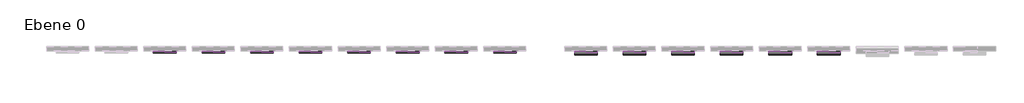
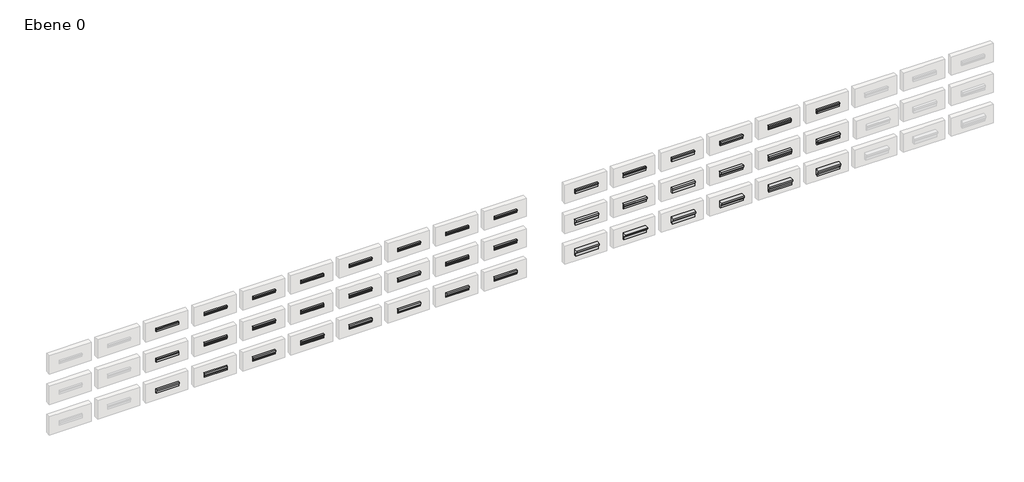
# One storey, part 2 of 3: 42 proxies.
"""IFC4 building model written with IfcOpenShell, lengths in millimetres."""

from ifc_helpers import new_model, si_unit, point, frame, frame_2d, origin, place, context, project, spatial, polyline, circle_curve, trimmed, segment, composite_curve, outline, extrude, element, save

model = new_model("IFC4")

# Units and contexts
model_context = context("Model", 3, world=origin())
ifc_project = project(units=[si_unit("LENGTHUNIT", "METRE", prefix="MILLI")], contexts=[model_context])

# Site, building, storey
site = spatial("IfcSite", under=ifc_project)
building = spatial("IfcBuilding", under=site)
storey = spatial("IfcBuildingStorey", under=building, Name="Ebene 0", Elevation=0.0)

# Proxies
placement = place(None, origin())
element("IfcBuildingElementProxy", 1, Name="Wall Sweeps", at=placement, inside=storey, context=model_context, shape_type="SweptSolid", body=[
    extrude(outline(composite_curve([segment(polyline([(665.4435816, 2195.0), (705.4435816, 2200.0), (705.4435816, 2100.0), (680.4435816, 2100.0), (680.4435816, 2150.0)]), True, "CONTINUOUS"), segment(trimmed(circle_curve(frame_2d((665.4435816, 2150.0)), 15.0), [point((680.4435816, 2150.0))], [point((665.4435816, 2165.0))], True, "CARTESIAN"), True, "CONTINUOUS"), segment(polyline([(665.4435816, 2165.0), (665.4435816, 2195.0)]), True, "CONTINUOUS")], self_intersect=False)), frame((-21412.2665859, 0.0, 0.0), z_axis=(1.0, 0.0, 0.0), x_axis=(0.0, 1.0, 0.0)), (0.0, 0.0, 1.0), 700.0),
])
element("IfcBuildingElementProxy", 2, Name="Wall Sweeps", at=placement, inside=storey, context=model_context, shape_type="SweptSolid", body=[
    extrude(outline(composite_curve([segment(polyline([(665.4435816, 1215.0), (705.4435816, 1220.0), (705.4435816, 1100.0), (680.4435816, 1100.0), (680.4435816, 1160.0)]), True, "CONTINUOUS"), segment(trimmed(circle_curve(frame_2d((665.4435816, 1160.0)), 15.0), [point((680.4435816, 1160.0))], [point((665.4435816, 1175.0))], True, "CARTESIAN"), True, "CONTINUOUS"), segment(polyline([(665.4435816, 1175.0), (665.4435816, 1215.0)]), True, "CONTINUOUS")], self_intersect=False)), frame((-21412.2665859, 0.0, 0.0), z_axis=(1.0, 0.0, 0.0), x_axis=(0.0, 1.0, 0.0)), (0.0, 0.0, 1.0), 700.0),
])
element("IfcBuildingElementProxy", 3, Name="Wall Sweeps", at=placement, inside=storey, context=model_context, shape_type="SweptSolid", body=[
    extrude(outline(composite_curve([segment(polyline([(655.4435816, 170.0), (655.4435816, 215.0), (705.4435816, 220.0), (705.4435816, 80.0), (675.4435816, 80.0), (675.4435816, 150.0)]), True, "CONTINUOUS"), segment(trimmed(circle_curve(frame_2d((655.4435816, 150.0)), 20.0), [point((675.4435816, 150.0))], [point((655.4435816, 170.0))], True, "CARTESIAN"), True, "CONTINUOUS")], self_intersect=False)), frame((-21412.2665859, 0.0, 0.0), z_axis=(1.0, 0.0, 0.0), x_axis=(0.0, 1.0, 0.0)), (0.0, 0.0, 1.0), 700.0),
])
element("IfcBuildingElementProxy", 4, Name="Wall Sweeps", at=placement, inside=storey, context=model_context, shape_type="SweptSolid", body=[
    extrude(outline(composite_curve([segment(polyline([(705.4435816, 2200.0), (705.4435816, 2100.0), (688.4435816, 2100.0), (688.4435816, 2119.0), (688.4435816, 2122.8)]), True, "CONTINUOUS"), segment(trimmed(circle_curve(frame_2d((663.4435816, 2122.8)), 25.0), [point((688.4435816, 2122.8))], [point((679.4435816, 2142.0093727))], True, "CARTESIAN"), True, "CONTINUOUS"), segment(trimmed(circle_curve(frame_2d((695.4435816, 2161.2187454)), 25.0), [point((679.4435816, 2142.0093727))], [point((670.4435816, 2161.2187454))], False, "CARTESIAN"), True, "CONTINUOUS"), segment(polyline([(670.4435816, 2161.2187454), (670.4435816, 2165.0), (665.4435816, 2165.0), (665.4435816, 2195.0), (705.4435816, 2200.0)]), True, "CONTINUOUS")], self_intersect=False)), frame((-19912.2665859, 0.0, 0.0), z_axis=(1.0, 0.0, 0.0), x_axis=(0.0, 1.0, 0.0)), (0.0, 0.0, 1.0), 700.0),
])
element("IfcBuildingElementProxy", 5, Name="Wall Sweeps", at=placement, inside=storey, context=model_context, shape_type="SweptSolid", body=[
    extrude(outline(composite_curve([segment(polyline([(705.4435816, 1100.0), (688.4435816, 1100.0), (688.4435816, 1119.0), (688.4435816, 1122.8)]), True, "CONTINUOUS"), segment(trimmed(circle_curve(frame_2d((663.4435816, 1122.8)), 25.0), [point((688.4435816, 1122.8))], [point((679.4435816, 1142.0093727))], True, "CARTESIAN"), True, "CONTINUOUS"), segment(trimmed(circle_curve(frame_2d((695.4435816, 1161.2187454)), 25.0), [point((679.4435816, 1142.0093727))], [point((670.4435816, 1161.2187454))], False, "CARTESIAN"), True, "CONTINUOUS"), segment(polyline([(670.4435816, 1161.2187454), (670.4435816, 1175.0), (665.4435816, 1175.0), (665.4435816, 1215.0), (705.4435816, 1220.0), (705.4435816, 1100.0)]), True, "CONTINUOUS")], self_intersect=False)), frame((-19912.2665859, 0.0, 0.0), z_axis=(1.0, 0.0, 0.0), x_axis=(0.0, 1.0, 0.0)), (0.0, 0.0, 1.0), 700.0),
])
element("IfcBuildingElementProxy", 6, Name="Wall Sweeps", at=placement, inside=storey, context=model_context, shape_type="SweptSolid", body=[
    extrude(outline(composite_curve([segment(polyline([(655.4435816, 215.0), (705.4435816, 220.0), (705.4435816, 80.0), (678.4435816, 80.0), (678.4435816, 119.0), (678.4435816, 122.8)]), True, "CONTINUOUS"), segment(trimmed(circle_curve(frame_2d((653.4435816, 122.8)), 25.0), [point((678.4435816, 122.8))], [point((669.4435816, 142.0093727))], True, "CARTESIAN"), True, "CONTINUOUS"), segment(trimmed(circle_curve(frame_2d((685.4435816, 161.2187454)), 25.0), [point((669.4435816, 142.0093727))], [point((660.4435816, 161.2187454))], False, "CARTESIAN"), True, "CONTINUOUS"), segment(polyline([(660.4435816, 161.2187454), (660.4435816, 165.0), (655.4435816, 165.0), (655.4435816, 215.0)]), True, "CONTINUOUS")], self_intersect=False)), frame((-19912.2665859, 0.0, 0.0), z_axis=(1.0, 0.0, 0.0), x_axis=(0.0, 1.0, 0.0)), (0.0, 0.0, 1.0), 700.0),
])
element("IfcBuildingElementProxy", 7, Name="Wall Sweeps", at=placement, inside=storey, context=model_context, shape_type="SweptSolid", body=[
    extrude(outline(composite_curve([segment(polyline([(705.4435816, 2200.0), (705.4435816, 2100.0), (685.4435816, 2100.0), (685.4435816, 2125.0)]), True, "CONTINUOUS"), segment(trimmed(circle_curve(frame_2d((675.4435816, 2125.0)), 10.0), [point((685.4435816, 2125.0))], [point((675.4435816, 2135.0))], True, "CARTESIAN"), True, "CONTINUOUS"), segment(polyline([(675.4435816, 2135.0), (675.4435816, 2155.0)]), True, "CONTINUOUS"), segment(trimmed(circle_curve(frame_2d((665.4435816, 2155.0)), 10.0), [point((675.4435816, 2155.0))], [point((665.4435816, 2165.0))], True, "CARTESIAN"), True, "CONTINUOUS"), segment(polyline([(665.4435816, 2165.0), (665.4435816, 2195.0), (705.4435816, 2200.0)]), True, "CONTINUOUS")], self_intersect=False)), frame((-18412.2665859, 0.0, 0.0), z_axis=(1.0, 0.0, 0.0), x_axis=(0.0, 1.0, 0.0)), (0.0, 0.0, 1.0), 700.0),
])
element("IfcBuildingElementProxy", 8, Name="Wall Sweeps", at=placement, inside=storey, context=model_context, shape_type="SweptSolid", body=[
    extrude(outline(composite_curve([segment(polyline([(665.4435816, 1215.0), (705.4435816, 1220.0), (705.4435816, 1100.0), (685.4435816, 1100.0), (685.4435816, 1135.0)]), True, "CONTINUOUS"), segment(trimmed(circle_curve(frame_2d((675.4435816, 1135.0)), 10.0), [point((685.4435816, 1135.0))], [point((675.4435816, 1145.0))], True, "CARTESIAN"), True, "CONTINUOUS"), segment(polyline([(675.4435816, 1145.0), (675.4435816, 1170.0)]), True, "CONTINUOUS"), segment(trimmed(circle_curve(frame_2d((665.4435816, 1170.0)), 10.0), [point((675.4435816, 1170.0))], [point((665.4435816, 1180.0))], True, "CARTESIAN"), True, "CONTINUOUS"), segment(polyline([(665.4435816, 1180.0), (665.4435816, 1215.0)]), True, "CONTINUOUS")], self_intersect=False)), frame((-18412.2665859, 0.0, 0.0), z_axis=(1.0, 0.0, 0.0), x_axis=(0.0, 1.0, 0.0)), (0.0, 0.0, 1.0), 700.0),
])
element("IfcBuildingElementProxy", 9, Name="Wall Sweeps", at=placement, inside=storey, context=model_context, shape_type="SweptSolid", body=[
    extrude(outline(composite_curve([segment(polyline([(705.4435816, 220.0), (705.4435816, 80.0), (685.4435816, 80.0), (685.4435816, 110.0)]), True, "CONTINUOUS"), segment(trimmed(circle_curve(frame_2d((670.4435816, 110.0)), 15.0), [point((685.4435816, 110.0))], [point((670.4435816, 125.0))], True, "CARTESIAN"), True, "CONTINUOUS"), segment(polyline([(670.4435816, 125.0), (670.4435816, 155.0)]), True, "CONTINUOUS"), segment(trimmed(circle_curve(frame_2d((655.4435816, 155.0)), 15.0), [point((670.4435816, 155.0))], [point((655.4435816, 170.0))], True, "CARTESIAN"), True, "CONTINUOUS"), segment(polyline([(655.4435816, 170.0), (655.4435816, 215.0), (705.4435816, 220.0)]), True, "CONTINUOUS")], self_intersect=False)), frame((-18412.2665859, 0.0, 0.0), z_axis=(1.0, 0.0, 0.0), x_axis=(0.0, 1.0, 0.0)), (0.0, 0.0, 1.0), 700.0),
])
element("IfcBuildingElementProxy", 10, Name="Wall Sweeps", at=placement, inside=storey, context=model_context, shape_type="SweptSolid", body=[
    extrude(outline(composite_curve([segment(polyline([(665.4435816, 2195.0), (705.4435816, 2200.0), (705.4435816, 2100.0), (685.4435816, 2100.0), (685.4435816, 2130.0)]), True, "CONTINUOUS"), segment(trimmed(circle_curve(frame_2d((685.4435816, 2140.0)), 10.0), [point((685.4435816, 2130.0))], [point((675.4435816, 2140.0))], False, "CARTESIAN"), True, "CONTINUOUS"), segment(polyline([(675.4435816, 2140.0), (675.4435816, 2155.0)]), True, "CONTINUOUS"), segment(trimmed(circle_curve(frame_2d((665.4435816, 2155.0)), 10.0), [point((675.4435816, 2155.0))], [point((665.4435816, 2165.0))], True, "CARTESIAN"), True, "CONTINUOUS"), segment(polyline([(665.4435816, 2165.0), (665.4435816, 2195.0)]), True, "CONTINUOUS")], self_intersect=False)), frame((-16912.2665859, 0.0, 0.0), z_axis=(1.0, 0.0, 0.0), x_axis=(0.0, 1.0, 0.0)), (0.0, 0.0, 1.0), 700.0),
])
element("IfcBuildingElementProxy", 11, Name="Wall Sweeps", at=placement, inside=storey, context=model_context, shape_type="SweptSolid", body=[
    extrude(outline(composite_curve([segment(polyline([(665.4435816, 1215.0), (705.4435816, 1220.0), (705.4435816, 1100.0), (685.4435816, 1100.0), (685.4435816, 1135.0)]), True, "CONTINUOUS"), segment(trimmed(circle_curve(frame_2d((685.4435816, 1145.0)), 10.0), [point((685.4435816, 1135.0))], [point((675.4435816, 1145.0))], False, "CARTESIAN"), True, "CONTINUOUS"), segment(polyline([(675.4435816, 1145.0), (675.4435816, 1170.0)]), True, "CONTINUOUS"), segment(trimmed(circle_curve(frame_2d((665.4435816, 1170.0)), 10.0), [point((675.4435816, 1170.0))], [point((665.4435816, 1180.0))], True, "CARTESIAN"), True, "CONTINUOUS"), segment(polyline([(665.4435816, 1180.0), (665.4435816, 1215.0)]), True, "CONTINUOUS")], self_intersect=False)), frame((-16912.2665859, 0.0, 0.0), z_axis=(1.0, 0.0, 0.0), x_axis=(0.0, 1.0, 0.0)), (0.0, 0.0, 1.0), 700.0),
])
element("IfcBuildingElementProxy", 12, Name="Wall Sweeps", at=placement, inside=storey, context=model_context, shape_type="SweptSolid", body=[
    extrude(outline(composite_curve([segment(polyline([(655.4435816, 215.0), (705.4435816, 220.0), (705.4435816, 80.0), (685.4435816, 80.0), (685.4435816, 120.0)]), True, "CONTINUOUS"), segment(trimmed(circle_curve(frame_2d((685.4435816, 135.0)), 15.0), [point((685.4435816, 120.0))], [point((670.4435816, 135.0))], False, "CARTESIAN"), True, "CONTINUOUS"), segment(polyline([(670.4435816, 135.0), (670.4435816, 160.0)]), True, "CONTINUOUS"), segment(trimmed(circle_curve(frame_2d((655.4435816, 160.0)), 15.0), [point((670.4435816, 160.0))], [point((655.4435816, 175.0))], True, "CARTESIAN"), True, "CONTINUOUS"), segment(polyline([(655.4435816, 175.0), (655.4435816, 215.0)]), True, "CONTINUOUS")], self_intersect=False)), frame((-16912.2665859, 0.0, 0.0), z_axis=(1.0, 0.0, 0.0), x_axis=(0.0, 1.0, 0.0)), (0.0, 0.0, 1.0), 700.0),
])
element("IfcBuildingElementProxy", 13, Name="Wall Sweeps", at=placement, inside=storey, context=model_context, shape_type="SweptSolid", body=[
    extrude(outline(composite_curve([segment(polyline([(665.4435816, 2195.0), (705.4435816, 2200.0), (705.4435816, 2100.0), (690.4435816, 2100.0), (690.4435816, 2125.0)]), True, "CONTINUOUS"), segment(trimmed(circle_curve(frame_2d((690.4435816, 2135.0)), 10.0), [point((690.4435816, 2125.0))], [point((680.4435816, 2135.0))], False, "CARTESIAN"), True, "CONTINUOUS"), segment(polyline([(680.4435816, 2135.0), (680.4435816, 2150.0), (675.4435816, 2150.0)]), True, "CONTINUOUS"), segment(trimmed(circle_curve(frame_2d((665.4435816, 2150.0)), 10.0), [point((675.4435816, 2150.0))], [point((665.4435816, 2160.0))], True, "CARTESIAN"), True, "CONTINUOUS"), segment(polyline([(665.4435816, 2160.0), (665.4435816, 2195.0)]), True, "CONTINUOUS")], self_intersect=False)), frame((-15412.2665859, 0.0, 0.0), z_axis=(1.0, 0.0, 0.0), x_axis=(0.0, 1.0, 0.0)), (0.0, 0.0, 1.0), 700.0),
])
element("IfcBuildingElementProxy", 14, Name="Wall Sweeps", at=placement, inside=storey, context=model_context, shape_type="SweptSolid", body=[
    extrude(outline(composite_curve([segment(polyline([(665.4435816, 1215.0), (705.4435816, 1220.0), (705.4435816, 1100.0), (690.4435816, 1100.0), (690.4435816, 1130.0)]), True, "CONTINUOUS"), segment(trimmed(circle_curve(frame_2d((690.4435816, 1140.0)), 10.0), [point((690.4435816, 1130.0))], [point((680.4435816, 1140.0))], False, "CARTESIAN"), True, "CONTINUOUS"), segment(polyline([(680.4435816, 1140.0), (680.4435816, 1165.0), (675.4435816, 1165.0)]), True, "CONTINUOUS"), segment(trimmed(circle_curve(frame_2d((665.4435816, 1165.0)), 10.0), [point((675.4435816, 1165.0))], [point((665.4435816, 1175.0))], True, "CARTESIAN"), True, "CONTINUOUS"), segment(polyline([(665.4435816, 1175.0), (665.4435816, 1215.0)]), True, "CONTINUOUS")], self_intersect=False)), frame((-15412.2665859, 0.0, 0.0), z_axis=(1.0, 0.0, 0.0), x_axis=(0.0, 1.0, 0.0)), (0.0, 0.0, 1.0), 700.0),
])
element("IfcBuildingElementProxy", 15, Name="Wall Sweeps", at=placement, inside=storey, context=model_context, shape_type="SweptSolid", body=[
    extrude(outline(composite_curve([segment(polyline([(655.4435816, 215.0), (705.4435816, 220.0), (705.4435816, 80.0), (690.4435816, 80.0), (690.4435816, 110.0)]), True, "CONTINUOUS"), segment(trimmed(circle_curve(frame_2d((690.4435816, 125.0)), 15.0), [point((690.4435816, 110.0))], [point((675.4435816, 125.0))], False, "CARTESIAN"), True, "CONTINUOUS"), segment(polyline([(675.4435816, 125.0), (675.4435816, 150.0), (670.4435816, 150.0)]), True, "CONTINUOUS"), segment(trimmed(circle_curve(frame_2d((655.4435816, 150.0)), 15.0), [point((670.4435816, 150.0))], [point((655.4435816, 165.0))], True, "CARTESIAN"), True, "CONTINUOUS"), segment(polyline([(655.4435816, 165.0), (655.4435816, 215.0)]), True, "CONTINUOUS")], self_intersect=False)), frame((-15412.2665859, 0.0, 0.0), z_axis=(1.0, 0.0, 0.0), x_axis=(0.0, 1.0, 0.0)), (0.0, 0.0, 1.0), 700.0),
])
element("IfcBuildingElementProxy", 16, Name="Wall Sweeps", at=placement, inside=storey, context=model_context, shape_type="SweptSolid", body=[
    extrude(outline(composite_curve([segment(polyline([(665.4435816, 2195.0), (705.4435816, 2200.0), (705.4435816, 2100.0), (685.4435816, 2100.0), (685.4435816, 2140.0)]), True, "CONTINUOUS"), segment(trimmed(circle_curve(frame_2d((685.4435816, 2150.0)), 10.0), [point((685.4435816, 2140.0))], [point((675.4435816, 2150.0))], False, "CARTESIAN"), True, "CONTINUOUS"), segment(trimmed(circle_curve(frame_2d((665.4435816, 2150.0)), 10.0), [point((675.4435816, 2150.0))], [point((665.4435816, 2160.0))], True, "CARTESIAN"), True, "CONTINUOUS"), segment(polyline([(665.4435816, 2160.0), (665.4435816, 2195.0)]), True, "CONTINUOUS")], self_intersect=False)), frame((-13912.2665859, 0.0, 0.0), z_axis=(1.0, 0.0, 0.0), x_axis=(0.0, 1.0, 0.0)), (0.0, 0.0, 1.0), 700.0),
])
element("IfcBuildingElementProxy", 17, Name="Wall Sweeps", at=placement, inside=storey, context=model_context, shape_type="SweptSolid", body=[
    extrude(outline(composite_curve([segment(polyline([(665.4435816, 1215.0), (705.4435816, 1220.0), (705.4435816, 1100.0), (685.4435816, 1100.0), (685.4435816, 1140.0)]), True, "CONTINUOUS"), segment(trimmed(circle_curve(frame_2d((685.4435816, 1150.0)), 10.0), [point((685.4435816, 1140.0))], [point((675.4435816, 1150.0))], False, "CARTESIAN"), True, "CONTINUOUS"), segment(trimmed(circle_curve(frame_2d((665.4435816, 1150.0)), 10.0), [point((675.4435816, 1150.0))], [point((665.4435816, 1160.0))], True, "CARTESIAN"), True, "CONTINUOUS"), segment(polyline([(665.4435816, 1160.0), (665.4435816, 1215.0)]), True, "CONTINUOUS")], self_intersect=False)), frame((-13912.2665859, 0.0, 0.0), z_axis=(1.0, 0.0, 0.0), x_axis=(0.0, 1.0, 0.0)), (0.0, 0.0, 1.0), 700.0),
])
element("IfcBuildingElementProxy", 18, Name="Wall Sweeps", at=placement, inside=storey, context=model_context, shape_type="SweptSolid", body=[
    extrude(outline(composite_curve([segment(polyline([(655.4435816, 215.0), (705.4435816, 220.0), (705.4435816, 80.0), (685.4435816, 80.0), (685.4435816, 120.0)]), True, "CONTINUOUS"), segment(trimmed(circle_curve(frame_2d((685.4435816, 135.0)), 15.0), [point((685.4435816, 120.0))], [point((670.4435816, 135.0))], False, "CARTESIAN"), True, "CONTINUOUS"), segment(trimmed(circle_curve(frame_2d((655.4435816, 135.0)), 15.0), [point((670.4435816, 135.0))], [point((655.4435816, 150.0))], True, "CARTESIAN"), True, "CONTINUOUS"), segment(polyline([(655.4435816, 150.0), (655.4435816, 215.0)]), True, "CONTINUOUS")], self_intersect=False)), frame((-13912.2665859, 0.0, 0.0), z_axis=(1.0, 0.0, 0.0), x_axis=(0.0, 1.0, 0.0)), (0.0, 0.0, 1.0), 700.0),
])
element("IfcBuildingElementProxy", 19, Name="Wall Sweeps", at=placement, inside=storey, context=model_context, shape_type="SweptSolid", body=[
    extrude(outline(polyline([(665.4435816, 2195.0), (705.4435816, 2200.0), (705.4435816, 2100.0), (685.4435816, 2100.0), (685.4435816, 2130.0), (675.4435816, 2130.0), (675.4435816, 2165.0), (665.4435816, 2165.0), (665.4435816, 2195.0)])), frame((-12412.2665859, 0.0, 0.0), z_axis=(1.0, 0.0, 0.0), x_axis=(0.0, 1.0, 0.0)), (0.0, 0.0, 1.0), 700.0),
])
element("IfcBuildingElementProxy", 20, Name="Wall Sweeps", at=placement, inside=storey, context=model_context, shape_type="SweptSolid", body=[
    extrude(outline(polyline([(665.4435816, 1215.0), (705.4435816, 1220.0), (705.4435816, 1100.0), (685.4435816, 1100.0), (685.4435816, 1140.0), (675.4435816, 1140.0), (675.4435816, 1180.0), (665.4435816, 1180.0), (665.4435816, 1215.0)])), frame((-12412.2665859, 0.0, 0.0), z_axis=(1.0, 0.0, 0.0), x_axis=(0.0, 1.0, 0.0)), (0.0, 0.0, 1.0), 700.0),
])
element("IfcBuildingElementProxy", 21, Name="Wall Sweeps", at=placement, inside=storey, context=model_context, shape_type="SweptSolid", body=[
    extrude(outline(polyline([(705.4435816, 80.0), (685.4435816, 80.0), (685.4435816, 120.0), (670.4435816, 120.0), (670.4435816, 170.0), (655.4435816, 170.0), (655.4435816, 215.0), (705.4435816, 220.0), (705.4435816, 80.0)])), frame((-12412.2665859, 0.0, 0.0), z_axis=(1.0, 0.0, 0.0), x_axis=(0.0, 1.0, 0.0)), (0.0, 0.0, 1.0), 700.0),
])
element("IfcBuildingElementProxy", 22, Name="Wall Sweeps", at=placement, inside=storey, context=model_context, shape_type="SweptSolid", body=[
    extrude(outline(polyline([(665.4435816, 2195.0), (705.4435816, 2200.0), (705.4435816, 2100.0), (685.4435816, 2100.0), (685.4435816, 2130.0), (680.4435816, 2130.0), (665.4435816, 2165.0), (665.4435816, 2195.0)])), frame((-10912.2665859, 0.0, 0.0), z_axis=(1.0, 0.0, 0.0), x_axis=(0.0, 1.0, 0.0)), (0.0, 0.0, 1.0), 700.0),
])
element("IfcBuildingElementProxy", 23, Name="Wall Sweeps", at=placement, inside=storey, context=model_context, shape_type="SweptSolid", body=[
    extrude(outline(polyline([(680.4435816, 1140.0), (665.4435816, 1180.0), (665.4435816, 1215.0), (705.4435816, 1220.0), (705.4435816, 1100.0), (685.4435816, 1100.0), (685.4435816, 1140.0), (680.4435816, 1140.0)])), frame((-10912.2665859, 0.0, 0.0), z_axis=(1.0, 0.0, 0.0), x_axis=(0.0, 1.0, 0.0)), (0.0, 0.0, 1.0), 700.0),
])
element("IfcBuildingElementProxy", 24, Name="Wall Sweeps", at=placement, inside=storey, context=model_context, shape_type="SweptSolid", body=[
    extrude(outline(polyline([(655.4435816, 215.0), (705.4435816, 220.0), (705.4435816, 80.0), (680.4435816, 80.0), (680.4435816, 120.0), (675.4435816, 120.0), (655.4435816, 170.0), (655.4435816, 215.0)])), frame((-10912.2665859, 0.0, 0.0), z_axis=(1.0, 0.0, 0.0), x_axis=(0.0, 1.0, 0.0)), (0.0, 0.0, 1.0), 700.0),
])
element("IfcBuildingElementProxy", 25, Name="Wall Sweeps", at=placement, inside=storey, context=model_context, shape_type="SweptSolid", body=[
    extrude(outline(composite_curve([segment(polyline([(645.4435816, 2208.8266332), (705.4435816, 2213.8266332), (705.4435816, 2088.8266332), (685.4435816, 2088.8266332), (685.4435816, 2093.8266332), (675.4435816, 2093.8266332), (675.4435816, 2088.8266332), (665.4435816, 2088.8266332), (665.4435816, 2163.8266332)]), True, "CONTINUOUS"), segment(trimmed(circle_curve(frame_2d((665.4435816, 2178.8266332)), 15.0), [point((665.4435816, 2163.8266332))], [point((650.4435816, 2178.8266332))], False, "CARTESIAN"), True, "CONTINUOUS"), segment(polyline([(650.4435816, 2178.8266332), (645.4435816, 2178.8266332), (645.4435816, 2208.8266332)]), True, "CONTINUOUS")], self_intersect=False)), frame((-8412.2665859, 0.0, 0.0), z_axis=(1.0, 0.0, 0.0), x_axis=(0.0, 1.0, 0.0)), (0.0, 0.0, 1.0), 700.0),
])
element("IfcBuildingElementProxy", 26, Name="Wall Sweeps", at=placement, inside=storey, context=model_context, shape_type="SweptSolid", body=[
    extrude(outline(composite_curve([segment(polyline([(705.4435816, 2213.8266332), (705.4435816, 2088.8266332), (695.4435816, 2088.8266332), (695.4435816, 2093.8266332), (685.4435816, 2093.8266332), (685.4435816, 2088.8266332), (675.4435816, 2088.8266332), (675.4435816, 2143.8266332)]), True, "CONTINUOUS"), segment(trimmed(circle_curve(frame_2d((660.4435816, 2143.8266332)), 15.0), [point((675.4435816, 2143.8266332))], [point((660.4435816, 2158.8266332))], True, "CARTESIAN"), True, "CONTINUOUS"), segment(polyline([(660.4435816, 2158.8266332), (660.4435816, 2168.8266332)]), True, "CONTINUOUS"), segment(trimmed(circle_curve(frame_2d((660.4435816, 2183.8266332)), 15.0), [point((660.4435816, 2168.8266332))], [point((645.4435816, 2183.8266332))], False, "CARTESIAN"), True, "CONTINUOUS"), segment(polyline([(645.4435816, 2183.8266332), (645.4435816, 2208.8266332), (705.4435816, 2213.8266332)]), True, "CONTINUOUS")], self_intersect=False)), frame((-6912.2665859, 0.0, 0.0), z_axis=(1.0, 0.0, 0.0), x_axis=(0.0, 1.0, 0.0)), (0.0, 0.0, 1.0), 700.0),
])
element("IfcBuildingElementProxy", 27, Name="Wall Sweeps", at=placement, inside=storey, context=model_context, shape_type="SweptSolid", body=[
    extrude(outline(composite_curve([segment(polyline([(705.4435816, 2213.8266332), (705.4435816, 2088.8266332), (690.4435816, 2088.8266332), (690.4435816, 2093.8266332), (680.4435816, 2093.8266332), (680.4435816, 2088.8266332), (670.4435816, 2088.8266332), (670.4435816, 2153.8266332)]), True, "CONTINUOUS"), segment(trimmed(circle_curve(frame_2d((645.4435816, 2153.8266332)), 25.0), [point((670.4435816, 2153.8266332))], [point((645.4435816, 2178.8266332))], True, "CARTESIAN"), True, "CONTINUOUS"), segment(polyline([(645.4435816, 2178.8266332), (645.4435816, 2208.8266332), (705.4435816, 2213.8266332)]), True, "CONTINUOUS")], self_intersect=False)), frame((-5412.2665859, 0.0, 0.0), z_axis=(1.0, 0.0, 0.0), x_axis=(0.0, 1.0, 0.0)), (0.0, 0.0, 1.0), 700.0),
])
element("IfcBuildingElementProxy", 28, Name="Wall Sweeps", at=placement, inside=storey, context=model_context, shape_type="SweptSolid", body=[
    extrude(outline(composite_curve([segment(polyline([(705.4435816, 2213.8266332), (705.4435816, 2088.8266332), (693.4435816, 2088.8266332), (693.4435816, 2093.8266332), (683.4435816, 2093.8266332), (683.4435816, 2088.8266332), (673.4435816, 2088.8266332), (673.4435816, 2112.8266332), (673.4435816, 2116.6078877)]), True, "CONTINUOUS"), segment(trimmed(circle_curve(frame_2d((648.4435816, 2116.6078877)), 25.0), [point((673.4435816, 2116.6078877))], [point((664.4435816, 2135.8172605))], True, "CARTESIAN"), True, "CONTINUOUS"), segment(trimmed(circle_curve(frame_2d((680.4435816, 2155.0266332)), 25.0), [point((664.4435816, 2135.8172605))], [point((655.4435816, 2155.0266332))], False, "CARTESIAN"), True, "CONTINUOUS"), segment(polyline([(655.4435816, 2155.0266332), (655.4435816, 2158.8266332), (655.4435816, 2168.8266332), (650.4435816, 2168.8266332), (645.4435816, 2168.8266332), (645.4435816, 2208.8266332), (705.4435816, 2213.8266332)]), True, "CONTINUOUS")], self_intersect=False)), frame((-3912.2665859, 0.0, 0.0), z_axis=(1.0, 0.0, 0.0), x_axis=(0.0, 1.0, 0.0)), (0.0, 0.0, 1.0), 700.0),
])
element("IfcBuildingElementProxy", 29, Name="Wall Sweeps", at=placement, inside=storey, context=model_context, shape_type="SweptSolid", body=[
    extrude(outline(composite_curve([segment(polyline([(645.4435816, 2208.8266332), (705.4435816, 2213.8266332), (705.4435816, 2088.8266332), (690.4435816, 2088.8266332), (690.4435816, 2093.8266332), (680.4435816, 2093.8266332), (680.4435816, 2088.8266332), (670.4435816, 2088.8266332), (670.4435816, 2118.8266332)]), True, "CONTINUOUS"), segment(trimmed(circle_curve(frame_2d((660.4435816, 2118.8266332)), 10.0), [point((670.4435816, 2118.8266332))], [point((660.4435816, 2128.8266332))], True, "CARTESIAN"), True, "CONTINUOUS"), segment(polyline([(660.4435816, 2128.8266332), (660.4435816, 2163.8266332)]), True, "CONTINUOUS"), segment(trimmed(circle_curve(frame_2d((645.4435816, 2163.8266332)), 15.0), [point((660.4435816, 2163.8266332))], [point((645.4435816, 2178.8266332))], True, "CARTESIAN"), True, "CONTINUOUS"), segment(polyline([(645.4435816, 2178.8266332), (645.4435816, 2208.8266332)]), True, "CONTINUOUS")], self_intersect=False)), frame((-2412.2665859, 0.0, 0.0), z_axis=(1.0, 0.0, 0.0), x_axis=(0.0, 1.0, 0.0)), (0.0, 0.0, 1.0), 700.0),
])
element("IfcBuildingElementProxy", 30, Name="Wall Sweeps", at=placement, inside=storey, context=model_context, shape_type="SweptSolid", body=[
    extrude(outline(composite_curve([segment(polyline([(645.4435816, 2208.8266332), (705.4435816, 2213.8266332), (705.4435816, 2088.8266332), (690.4435816, 2088.8266332), (690.4435816, 2093.8266332), (680.4435816, 2093.8266332), (680.4435816, 2088.8266332), (670.4435816, 2088.8266332), (670.4435816, 2128.8266332)]), True, "CONTINUOUS"), segment(trimmed(circle_curve(frame_2d((670.4435816, 2138.8266332)), 10.0), [point((670.4435816, 2128.8266332))], [point((660.4435816, 2138.8266332))], False, "CARTESIAN"), True, "CONTINUOUS"), segment(polyline([(660.4435816, 2138.8266332), (660.4435816, 2163.8266332)]), True, "CONTINUOUS"), segment(trimmed(circle_curve(frame_2d((645.4435816, 2163.8266332)), 15.0), [point((660.4435816, 2163.8266332))], [point((645.4435816, 2178.8266332))], True, "CARTESIAN"), True, "CONTINUOUS"), segment(polyline([(645.4435816, 2178.8266332), (645.4435816, 2208.8266332)]), True, "CONTINUOUS")], self_intersect=False)), frame((-912.2665859, 0.0, 0.0), z_axis=(1.0, 0.0, 0.0), x_axis=(0.0, 1.0, 0.0)), (0.0, 0.0, 1.0), 700.0),
])
element("IfcBuildingElementProxy", 31, Name="Wall Sweeps", at=placement, inside=storey, context=model_context, shape_type="SweptSolid", body=[
    extrude(outline(composite_curve([segment(polyline([(705.4435816, 1233.8266332), (705.4435816, 1068.8266332), (670.4435816, 1068.8266332), (670.4435816, 1073.8266332), (660.4435816, 1073.8266332), (660.4435816, 1068.8266332), (650.4435816, 1068.8266332), (650.4435816, 1153.8266332)]), True, "CONTINUOUS"), segment(trimmed(circle_curve(frame_2d((650.4435816, 1178.8266332)), 25.0), [point((650.4435816, 1153.8266332))], [point((625.4435816, 1178.8266332))], False, "CARTESIAN"), True, "CONTINUOUS"), segment(polyline([(625.4435816, 1178.8266332), (615.4435816, 1178.8266332), (615.4435816, 1228.8266332), (705.4435816, 1233.8266332)]), True, "CONTINUOUS")], self_intersect=False)), frame((-8412.2665859, 0.0, 0.0), z_axis=(1.0, 0.0, 0.0), x_axis=(0.0, 1.0, 0.0)), (0.0, 0.0, 1.0), 700.0),
])
element("IfcBuildingElementProxy", 32, Name="Wall Sweeps", at=placement, inside=storey, context=model_context, shape_type="SweptSolid", body=[
    extrude(outline(composite_curve([segment(polyline([(615.4435816, 1228.8266332), (705.4435816, 1233.8266332), (705.4435816, 1068.8266332), (680.4435816, 1068.8266332), (680.4435816, 1073.8266332), (670.4435816, 1073.8266332), (670.4435816, 1068.8266332), (660.4435816, 1068.8266332), (660.4435816, 1128.8266332)]), True, "CONTINUOUS"), segment(trimmed(circle_curve(frame_2d((640.4435816, 1128.8266332)), 20.0), [point((660.4435816, 1128.8266332))], [point((640.4435816, 1148.8266332))], True, "CARTESIAN"), True, "CONTINUOUS"), segment(polyline([(640.4435816, 1148.8266332), (640.4435816, 1163.8266332), (635.4435816, 1163.8266332)]), True, "CONTINUOUS"), segment(trimmed(circle_curve(frame_2d((635.4435816, 1183.8266332)), 20.0), [point((635.4435816, 1163.8266332))], [point((615.4435816, 1183.8266332))], False, "CARTESIAN"), True, "CONTINUOUS"), segment(polyline([(615.4435816, 1183.8266332), (615.4435816, 1228.8266332)]), True, "CONTINUOUS")], self_intersect=False)), frame((-6912.2665859, 0.0, 0.0), z_axis=(1.0, 0.0, 0.0), x_axis=(0.0, 1.0, 0.0)), (0.0, 0.0, 1.0), 700.0),
])
element("IfcBuildingElementProxy", 33, Name="Wall Sweeps", at=placement, inside=storey, context=model_context, shape_type="SweptSolid", body=[
    extrude(outline(composite_curve([segment(polyline([(615.4435816, 1228.8266332), (705.4435816, 1233.8266332), (705.4435816, 1068.8266332), (675.4435816, 1068.8266332), (675.4435816, 1073.8266332), (665.4435816, 1073.8266332), (665.4435816, 1068.8266332), (655.4435816, 1068.8266332), (655.4435816, 1148.8266332)]), True, "CONTINUOUS"), segment(trimmed(circle_curve(frame_2d((615.4435816, 1148.8266332)), 40.0), [point((655.4435816, 1148.8266332))], [point((615.4435816, 1188.8266332))], True, "CARTESIAN"), True, "CONTINUOUS"), segment(polyline([(615.4435816, 1188.8266332), (615.4435816, 1228.8266332)]), True, "CONTINUOUS")], self_intersect=False)), frame((-5412.2665859, 0.0, 0.0), z_axis=(1.0, 0.0, 0.0), x_axis=(0.0, 1.0, 0.0)), (0.0, 0.0, 1.0), 700.0),
])
element("IfcBuildingElementProxy", 34, Name="Wall Sweeps", at=placement, inside=storey, context=model_context, shape_type="SweptSolid", body=[
    extrude(outline(composite_curve([segment(polyline([(615.4435816, 1228.8266332), (705.4435816, 1233.8266332), (705.4435816, 1068.8266332), (685.4435816, 1068.8266332), (685.4435816, 1073.8266332), (675.4435816, 1073.8266332), (675.4435816, 1068.8266332), (665.4435816, 1068.8266332), (665.4435816, 1118.8266332)]), True, "CONTINUOUS"), segment(trimmed(circle_curve(frame_2d((645.4435816, 1118.8266332)), 20.0), [point((665.4435816, 1118.8266332))], [point((645.4435816, 1138.8266332))], True, "CARTESIAN"), True, "CONTINUOUS"), segment(trimmed(circle_curve(frame_2d((645.4435816, 1158.8266332)), 20.0), [point((645.4435816, 1138.8266332))], [point((625.4435816, 1158.8266332))], False, "CARTESIAN"), True, "CONTINUOUS"), segment(polyline([(625.4435816, 1158.8266332), (625.4435816, 1178.8266332), (615.4435816, 1178.8266332), (615.4435816, 1228.8266332)]), True, "CONTINUOUS")], self_intersect=False)), frame((-3912.2665859, 0.0, 0.0), z_axis=(1.0, 0.0, 0.0), x_axis=(0.0, 1.0, 0.0)), (0.0, 0.0, 1.0), 700.0),
])
element("IfcBuildingElementProxy", 35, Name="Wall Sweeps", at=placement, inside=storey, context=model_context, shape_type="SweptSolid", body=[
    extrude(outline(composite_curve([segment(polyline([(615.4435816, 1228.8266332), (705.4435816, 1233.8266332), (705.4435816, 1068.8266332), (670.4435816, 1068.8266332), (670.4435816, 1073.8266332), (660.4435816, 1073.8266332), (660.4435816, 1068.8266332), (650.4435816, 1068.8266332), (650.4435816, 1103.8266332)]), True, "CONTINUOUS"), segment(trimmed(circle_curve(frame_2d((635.4435816, 1103.8266332)), 15.0), [point((650.4435816, 1103.8266332))], [point((635.4435816, 1118.8266332))], True, "CARTESIAN"), True, "CONTINUOUS"), segment(polyline([(635.4435816, 1118.8266332), (635.4435816, 1158.8266332)]), True, "CONTINUOUS"), segment(trimmed(circle_curve(frame_2d((615.4435816, 1158.8266332)), 20.0), [point((635.4435816, 1158.8266332))], [point((615.4435816, 1178.8266332))], True, "CARTESIAN"), True, "CONTINUOUS"), segment(polyline([(615.4435816, 1178.8266332), (615.4435816, 1228.8266332)]), True, "CONTINUOUS")], self_intersect=False)), frame((-2412.2665859, 0.0, 0.0), z_axis=(1.0, 0.0, 0.0), x_axis=(0.0, 1.0, 0.0)), (0.0, 0.0, 1.0), 700.0),
])
element("IfcBuildingElementProxy", 36, Name="Wall Sweeps", at=placement, inside=storey, context=model_context, shape_type="SweptSolid", body=[
    extrude(outline(composite_curve([segment(polyline([(615.4435816, 1228.8266332), (705.4435816, 1233.8266332), (705.4435816, 1068.8266332), (675.4435816, 1068.8266332), (675.4435816, 1073.8266332), (665.4435816, 1073.8266332), (665.4435816, 1068.8266332), (655.4435816, 1068.8266332), (655.4435816, 1118.8266332)]), True, "CONTINUOUS"), segment(trimmed(circle_curve(frame_2d((655.4435816, 1138.8266332)), 20.0), [point((655.4435816, 1118.8266332))], [point((635.4435816, 1138.8266332))], False, "CARTESIAN"), True, "CONTINUOUS"), segment(polyline([(635.4435816, 1138.8266332), (635.4435816, 1168.8266332)]), True, "CONTINUOUS"), segment(trimmed(circle_curve(frame_2d((615.4435816, 1168.8266332)), 20.0), [point((635.4435816, 1168.8266332))], [point((615.4435816, 1188.8266332))], True, "CARTESIAN"), True, "CONTINUOUS"), segment(polyline([(615.4435816, 1188.8266332), (615.4435816, 1228.8266332)]), True, "CONTINUOUS")], self_intersect=False)), frame((-912.2665859, 0.0, 0.0), z_axis=(1.0, 0.0, 0.0), x_axis=(0.0, 1.0, 0.0)), (0.0, 0.0, 1.0), 700.0),
])
element("IfcBuildingElementProxy", 37, Name="Wall Sweeps", at=placement, inside=storey, context=model_context, shape_type="SweptSolid", body=[
    extrude(outline(composite_curve([segment(polyline([(705.4435816, 258.8266332), (705.4435816, 58.8266332), (655.4435816, 58.8266332), (655.4435816, 63.8266332), (645.4435816, 63.8266332), (645.4435816, 58.8266332), (635.4435816, 58.8266332), (635.4435816, 153.8266332)]), True, "CONTINUOUS"), segment(trimmed(circle_curve(frame_2d((635.4435816, 193.8266332)), 40.0), [point((635.4435816, 153.8266332))], [point((595.4435816, 193.8266332))], False, "CARTESIAN"), True, "CONTINUOUS"), segment(polyline([(595.4435816, 193.8266332), (585.4435816, 193.8266332), (585.4435816, 253.8266332), (705.4435816, 258.8266332)]), True, "CONTINUOUS")], self_intersect=False)), frame((-8412.2665859, 0.0, 0.0), z_axis=(1.0, 0.0, 0.0), x_axis=(0.0, 1.0, 0.0)), (0.0, 0.0, 1.0), 700.0),
])
element("IfcBuildingElementProxy", 38, Name="Wall Sweeps", at=placement, inside=storey, context=model_context, shape_type="SweptSolid", body=[
    extrude(outline(composite_curve([segment(polyline([(585.4435816, 253.8266332), (705.4435816, 258.8266332), (705.4435816, 58.8266332), (675.4435816, 58.8266332), (675.4435816, 63.8266332), (665.4435816, 63.8266332), (665.4435816, 58.8266332), (655.4435816, 58.8266332), (655.4435816, 138.8266332)]), True, "CONTINUOUS"), segment(trimmed(circle_curve(frame_2d((625.4435816, 138.8266332)), 30.0), [point((655.4435816, 138.8266332))], [point((625.4435816, 168.8266332))], True, "CARTESIAN"), True, "CONTINUOUS"), segment(polyline([(625.4435816, 168.8266332), (625.4435816, 183.8266332), (615.4435816, 183.8266332)]), True, "CONTINUOUS"), segment(trimmed(circle_curve(frame_2d((615.4435816, 213.8266332)), 30.0), [point((615.4435816, 183.8266332))], [point((585.4435816, 213.8266332))], False, "CARTESIAN"), True, "CONTINUOUS"), segment(polyline([(585.4435816, 213.8266332), (585.4435816, 253.8266332)]), True, "CONTINUOUS")], self_intersect=False)), frame((-6912.2665859, 0.0, 0.0), z_axis=(1.0, 0.0, 0.0), x_axis=(0.0, 1.0, 0.0)), (0.0, 0.0, 1.0), 700.0),
])
element("IfcBuildingElementProxy", 39, Name="Wall Sweeps", at=placement, inside=storey, context=model_context, shape_type="SweptSolid", body=[
    extrude(outline(composite_curve([segment(polyline([(585.4435816, 253.8266332), (705.4435816, 258.8266332), (705.4435816, 58.8266332), (655.4435816, 58.8266332), (655.4435816, 63.8266332), (645.4435816, 63.8266332), (645.4435816, 58.8266332), (635.4435816, 58.8266332), (635.4435816, 143.8266332)]), True, "CONTINUOUS"), segment(trimmed(circle_curve(frame_2d((585.4435816, 143.8266332)), 50.0), [point((635.4435816, 143.8266332))], [point((585.4435816, 193.8266332))], True, "CARTESIAN"), True, "CONTINUOUS"), segment(polyline([(585.4435816, 193.8266332), (585.4435816, 253.8266332)]), True, "CONTINUOUS")], self_intersect=False)), frame((-5412.2665859, 0.0, 0.0), z_axis=(1.0, 0.0, 0.0), x_axis=(0.0, 1.0, 0.0)), (0.0, 0.0, 1.0), 700.0),
])
element("IfcBuildingElementProxy", 40, Name="Wall Sweeps", at=placement, inside=storey, context=model_context, shape_type="SweptSolid", body=[
    extrude(outline(composite_curve([segment(polyline([(585.4435816, 253.8266332), (705.4435816, 258.8266332), (705.4435816, 58.8266332), (665.4435816, 58.8266332), (665.4435816, 63.8266332), (655.4435816, 63.8266332), (655.4435816, 58.8266332), (645.4435816, 58.8266332), (645.4435816, 123.8266332)]), True, "CONTINUOUS"), segment(trimmed(circle_curve(frame_2d((620.4435816, 123.8266332)), 25.0), [point((645.4435816, 123.8266332))], [point((620.4435816, 148.8266332))], True, "CARTESIAN"), True, "CONTINUOUS"), segment(trimmed(circle_curve(frame_2d((620.4435816, 173.8266332)), 25.0), [point((620.4435816, 148.8266332))], [point((595.4435816, 173.8266332))], False, "CARTESIAN"), True, "CONTINUOUS"), segment(polyline([(595.4435816, 173.8266332), (595.4435816, 193.8266332), (585.4435816, 193.8266332), (585.4435816, 253.8266332)]), True, "CONTINUOUS")], self_intersect=False)), frame((-3912.2665859, 0.0, 0.0), z_axis=(1.0, 0.0, 0.0), x_axis=(0.0, 1.0, 0.0)), (0.0, 0.0, 1.0), 700.0),
])
element("IfcBuildingElementProxy", 41, Name="Wall Sweeps", at=placement, inside=storey, context=model_context, shape_type="SweptSolid", body=[
    extrude(outline(composite_curve([segment(polyline([(585.4435816, 253.8266332), (705.4435816, 258.8266332), (705.4435816, 58.8266332), (660.4435816, 58.8266332), (660.4435816, 63.8266332), (650.4435816, 63.8266332), (650.4435816, 58.8266332), (640.4435816, 58.8266332), (640.4435816, 98.8266332)]), True, "CONTINUOUS"), segment(trimmed(circle_curve(frame_2d((615.4435816, 98.8266332)), 25.0), [point((640.4435816, 98.8266332))], [point((615.4435816, 123.8266332))], True, "CARTESIAN"), True, "CONTINUOUS"), segment(polyline([(615.4435816, 123.8266332), (615.4435816, 163.8266332)]), True, "CONTINUOUS"), segment(trimmed(circle_curve(frame_2d((585.4435816, 163.8266332)), 30.0), [point((615.4435816, 163.8266332))], [point((585.4435816, 193.8266332))], True, "CARTESIAN"), True, "CONTINUOUS"), segment(polyline([(585.4435816, 193.8266332), (585.4435816, 253.8266332)]), True, "CONTINUOUS")], self_intersect=False)), frame((-2412.2665859, 0.0, 0.0), z_axis=(1.0, 0.0, 0.0), x_axis=(0.0, 1.0, 0.0)), (0.0, 0.0, 1.0), 700.0),
])
element("IfcBuildingElementProxy", 42, Name="Wall Sweeps", at=placement, inside=storey, context=model_context, shape_type="SweptSolid", body=[
    extrude(outline(composite_curve([segment(polyline([(585.4435816, 253.8266332), (705.4435816, 258.8266332), (705.4435816, 58.8266332), (655.4435816, 58.8266332), (655.4435816, 63.8266332), (645.4435816, 63.8266332), (645.4435816, 58.8266332), (635.4435816, 58.8266332), (635.4435816, 118.8266332)]), True, "CONTINUOUS"), segment(trimmed(circle_curve(frame_2d((635.4435816, 143.8266332)), 25.0), [point((635.4435816, 118.8266332))], [point((610.4435816, 143.8266332))], False, "CARTESIAN"), True, "CONTINUOUS"), segment(polyline([(610.4435816, 143.8266332), (610.4435816, 178.8266332)]), True, "CONTINUOUS"), segment(trimmed(circle_curve(frame_2d((585.4435816, 178.8266332)), 25.0), [point((610.4435816, 178.8266332))], [point((585.4435816, 203.8266332))], True, "CARTESIAN"), True, "CONTINUOUS"), segment(polyline([(585.4435816, 203.8266332), (585.4435816, 253.8266332)]), True, "CONTINUOUS")], self_intersect=False)), frame((-912.2665859, 0.0, 0.0), z_axis=(1.0, 0.0, 0.0), x_axis=(0.0, 1.0, 0.0)), (0.0, 0.0, 1.0), 700.0),
])

save(model, "model.ifc")
